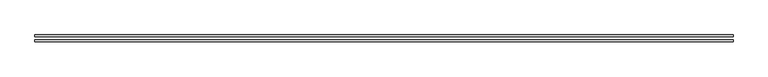
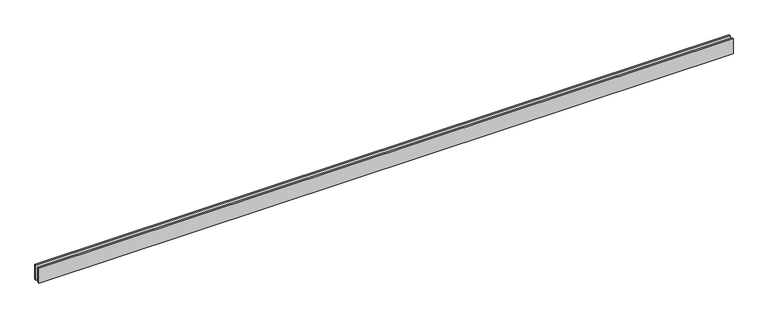
"""IFC4 building model written with IfcOpenShell, lengths in millimetres: proxy geometry."""

from ifc_helpers import new_model, si_unit, origin, origin_with_axes, place, context, project, spatial, polyline, outline, extrude, source, transform, mapped, element, save


def generic_models_a2da8c73(model_context):
    return source(origin(), model_context, "Body", "SweptSolid", [
        extrude(outline(polyline([(11110.0, 25.0), (0.0, 25.0), (0.0, 55.0), (11110.0, 55.0), (11110.0, 25.0)])), origin_with_axes(), (0.0, 0.0, 1.0), 250.0),
        extrude(outline(polyline([(11110.0, -55.0), (0.0, -55.0), (0.0, -25.0), (11110.0, -25.0), (11110.0, -55.0)])), origin_with_axes(), (0.0, 0.0, 1.0), 250.0),
    ])


if __name__ == "__main__":
    model = new_model("IFC4")
    model_context = context("Model", 3, world=origin())
    ifc_project = project(units=[si_unit("LENGTHUNIT", "METRE", prefix="MILLI")], contexts=[model_context])
    site = spatial("IfcSite", under=ifc_project)
    building = spatial("IfcBuilding", under=site)
    placement = place(None, origin())
    generic_models_shape = generic_models_a2da8c73(model_context)
    element("IfcBuildingElementProxy", 1, Name="Generic Models", at=placement, inside=building, context=model_context, shape_type="MappedRepresentation", body=[
        mapped(generic_models_shape, transform((0.0, 0.0, 0.0), x_axis=(1.0, 0.0, 0.0), y_axis=(0.0, 1.0, 0.0), z_axis=(0.0, 0.0, 1.0))),
    ])
    save(model, "model.ifc")
